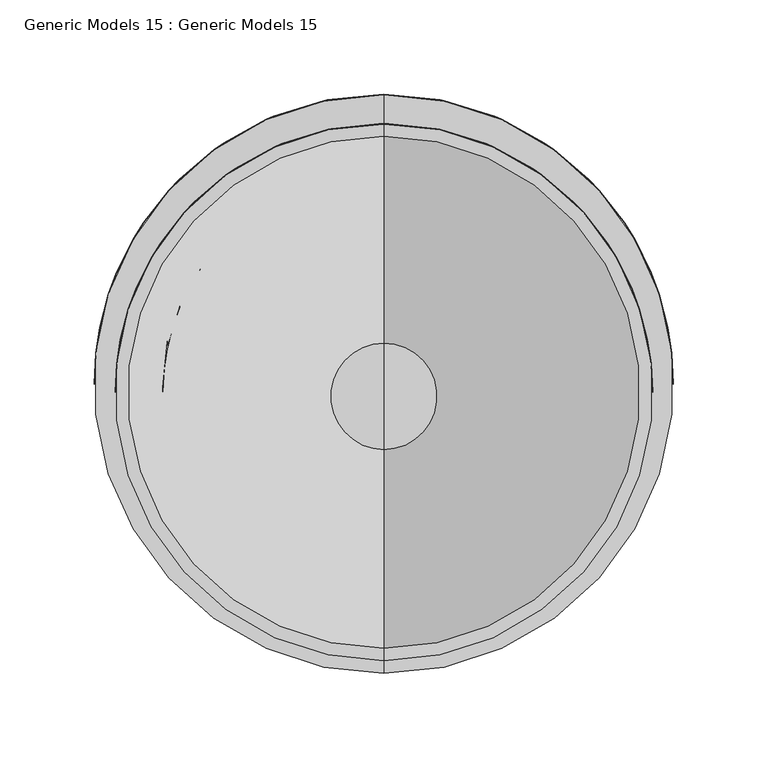
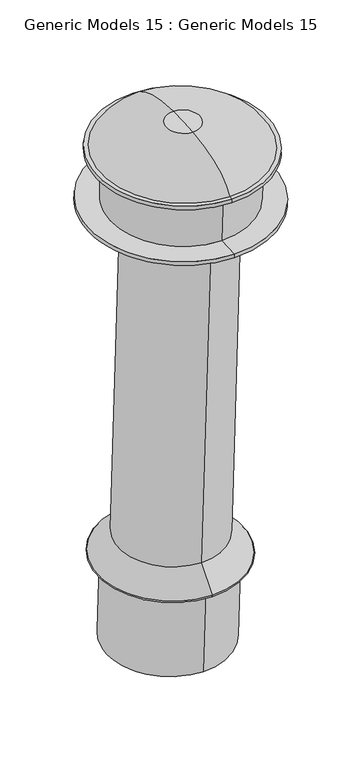
"""IFC4 building model written with IfcOpenShell, lengths in millimetres: proxy geometry, Generic Models 15 : Generic Models 15."""

from ifc_helpers import new_model, si_unit, point, frame, origin, place, context, project, spatial, polyline, circle_curve, ellipse_curve, trimmed, source, transform, mapped, element, save
from ifc_brep_helpers import plane_surface, cylinder_surface, revolved_surface, spline_curve, advanced_brep


def generic_models_15_generic_models_15_30916eaf(model_context):
    return source(origin(), model_context, "Body", "AdvancedBrep", [
        advanced_brep(
        [(-23590.480482, 1258.3723087, -1946.0657458), (-23590.480482, 1432.6049755, -1937.7979012), (-23590.480482, 1460.8485083, -2532.9888201), (-23590.480482, 1286.6158415, -2541.2566648), (-23590.480482, 1192.1149438, -1949.2098497), (-23590.480482, 1498.8623404, -1934.6537973), (-23590.480482, 1191.8142949, -1942.8741163), (-23590.480482, 1498.5616915, -1928.318064), (-23590.480482, 1228.153114, -1941.1497341), (-23590.480482, 1462.2228724, -1930.0424462), (-23590.480482, 1224.0872206, -1855.4670096), (-23590.480482, 1458.156979, -1844.3597217), (-23590.480482, 1198.8359349, -1856.6652562), (-23590.480482, 1483.4082647, -1843.161475), (-23590.480482, 1198.535286, -1850.3295229), (-23590.480482, 1483.1076158, -1836.8257417), (-23590.480482, 1205.0694437, -1850.0194582), (-23590.480482, 1476.5734581, -1837.1358064), (-23590.480482, 1310.4601088, -1800.5546853), (-23590.480482, 1366.972413, -1797.8730128), (-23590.480482, 1338.7162609, -1799.213849), (-23590.480482, 1281.2472388, -2729.2093104), (-23590.480482, 1483.9907057, -2719.5885457), (-23590.480482, 1382.6189723, -2724.398928), (-23590.480482, 1274.2248791, -2581.223407), (-23590.480482, 1476.968346, -2571.6026423), (-23590.480482, 1256.1529254, -2582.0809735), (-23590.480482, 1495.0402997, -2570.7450758), (-23590.480482, 1254.9199854, -2579.6161871), (-23590.480482, 1496.0343026, -2568.1746145)],
        [
            (0, 1, circle_curve(frame((-23590.480482, 1345.4886421, -1941.9318235), z_axis=(0.0, 0.04739955940407546, -0.9988760092064978), x_axis=(0.0, 0.9988760092064978, 0.04739955940407546)), 87.2143616)),
            (1, 2),
            (2, 3, circle_curve(frame((-23590.480482, 1373.7321749, -2537.1227424), z_axis=(0.0, -0.04739955940407546, 0.9988760092064978), x_axis=(0.0, 0.9988760092064978, 0.04739955940407546)), 87.2143616)),
            (3, 0),
            (1, 0, circle_curve(frame((-23590.480482, 1345.4886421, -1941.9318235), z_axis=(0.0, 0.04739955940407546, -0.9988760092064978), x_axis=(0.0, 0.9988760092064978, 0.04739955940407546)), 87.2143616)),
            (3, 2, circle_curve(frame((-23590.480482, 1373.7321749, -2537.1227424), z_axis=(0.0, -0.04739955940407546, 0.9988760092064978), x_axis=(0.0, 0.9988760092064978, 0.04739955940407546)), 87.2143616)),
            (4, 5, circle_curve(frame((-23590.480482, 1345.4886421, -1941.9318235), z_axis=(0.0, 0.04739955940407546, -0.9988760092064978), x_axis=(0.0, 0.9988760092064978, 0.04739955940407546)), 153.5462829)),
            (5, 1),
            (0, 4),
            (5, 4, circle_curve(frame((-23590.480482, 1345.4886421, -1941.9318235), z_axis=(0.0, 0.04739955940407546, -0.9988760092064978), x_axis=(0.0, 0.9988760092064978, 0.04739955940407546)), 153.5462829)),
            (6, 7, circle_curve(frame((-23590.480482, 1345.1879932, -1935.5960902), z_axis=(0.0, 0.04739955940407546, -0.9988760092064978), x_axis=(0.0, 0.9988760092064978, 0.04739955940407546)), 153.5462829)),
            (7, 5),
            (4, 6),
            (7, 6, circle_curve(frame((-23590.480482, 1345.1879932, -1935.5960902), z_axis=(0.0, 0.04739955940407546, -0.9988760092064978), x_axis=(0.0, 0.9988760092064978, 0.04739955940407546)), 153.5462829)),
            (8, 9, circle_curve(frame((-23590.480482, 1345.1879932, -1935.5960902), z_axis=(0.0, 0.04739955940407546, -0.9988760092064978), x_axis=(0.0, 0.9988760092064978, 0.04739955940407546)), 117.1665734)),
            (9, 7),
            (6, 8),
            (9, 8, circle_curve(frame((-23590.480482, 1345.1879932, -1935.5960902), z_axis=(0.0, 0.04739955940407546, -0.9988760092064978), x_axis=(0.0, 0.9988760092064978, 0.04739955940407546)), 117.1665734)),
            (10, 11, circle_curve(frame((-23590.480482, 1341.1220998, -1849.9133656), z_axis=(0.0, 0.04739955940407546, -0.9988760092064978), x_axis=(0.0, 0.9988760092064978, 0.04739955940407546)), 117.1665734)),
            (11, 9),
            (8, 10),
            (11, 10, circle_curve(frame((-23590.480482, 1341.1220998, -1849.9133656), z_axis=(0.0, 0.04739955940407546, -0.9988760092064978), x_axis=(0.0, 0.9988760092064978, 0.04739955940407546)), 117.1665734)),
            (12, 13, circle_curve(frame((-23590.480482, 1341.1220998, -1849.9133656), z_axis=(0.0, 0.04739955940407546, -0.9988760092064978), x_axis=(0.0, 0.9988760092064978, 0.04739955940407546)), 142.4462732)),
            (13, 11),
            (10, 12),
            (13, 12, circle_curve(frame((-23590.480482, 1341.1220998, -1849.9133656), z_axis=(0.0, 0.04739955940407546, -0.9988760092064978), x_axis=(0.0, 0.9988760092064978, 0.04739955940407546)), 142.4462732)),
            (14, 15, circle_curve(frame((-23590.480482, 1340.8214509, -1843.5776323), z_axis=(0.0, 0.04739955940407546, -0.9988760092064978), x_axis=(0.0, 0.9988760092064978, 0.04739955940407546)), 142.4462732)),
            (15, 13),
            (12, 14),
            (15, 14, circle_curve(frame((-23590.480482, 1340.8214509, -1843.5776323), z_axis=(0.0, 0.04739955940407546, -0.9988760092064978), x_axis=(0.0, 0.9988760092064978, 0.04739955940407546)), 142.4462732)),
            (16, 17, circle_curve(frame((-23590.480482, 1340.8214509, -1843.5776323), z_axis=(0.0, 0.04739955940407546, -0.9988760092064978), x_axis=(0.0, 0.9988760092064978, 0.04739955940407546)), 135.9047629)),
            (17, 15),
            (14, 16),
            (17, 16, circle_curve(frame((-23590.480482, 1340.8214509, -1843.5776323), z_axis=(0.0, 0.04739955940407546, -0.9988760092064978), x_axis=(0.0, 0.9988760092064978, 0.04739955940407546)), 135.9047629)),
            (18, 19, circle_curve(frame((-23590.480482, 1338.7162609, -1799.213849), z_axis=(0.0, 0.04739955940407546, -0.9988760092064978), x_axis=(0.0, 0.9988760092064978, 0.04739955940407546)), 28.2879475)),
            (19, 17, spline_curve(3, [(-23590.480482, 1366.972413, -1797.8730128), (-23590.480482, 1427.41792959, -1800.309967248), (-23590.480482, 1463.951611306, -1813.397565091), (-23590.480482, 1476.5734581, -1837.1358064)], [4, 4], [0.0, 0.21500945522902914])),
            (16, 18, spline_curve(3, [(-23590.480482, 1205.0694437, -1850.0194582), (-23590.480482, 1215.386740058, -1825.192688113), (-23590.480482, 1250.516961766, -1808.704430481), (-23590.480482, 1310.4601088, -1800.5546853)], [4, 4], [0.0, 0.21500945522902914])),
            (19, 18, circle_curve(frame((-23590.480482, 1338.7162609, -1799.213849), z_axis=(0.0, 0.04739955940407546, -0.9988760092064978), x_axis=(0.0, 0.9988760092064978, 0.04739955940407546)), 28.2879475)),
            (20, 19),
            (18, 20),
            (21, 22, circle_curve(frame((-23590.480482, 1382.6189723, -2724.398928), z_axis=(0.0, 0.04739955940407546, -0.9988760092064978), x_axis=(0.0, 0.9988760092064978, 0.04739955940407546)), 101.4858025)),
            (22, 23),
            (23, 21),
            (22, 21, circle_curve(frame((-23590.480482, 1382.6189723, -2724.398928), z_axis=(0.0, 0.04739955940407546, -0.9988760092064978), x_axis=(0.0, 0.9988760092064978, 0.04739955940407546)), 101.4858025)),
            (24, 25, circle_curve(frame((-23590.480482, 1375.5966126, -2576.4130246), z_axis=(0.0, 0.04739955940407546, -0.9988760092064978), x_axis=(0.0, 0.9988760092064978, 0.04739955940407546)), 101.4858025)),
            (25, 22),
            (21, 24),
            (25, 24, circle_curve(frame((-23590.480482, 1375.5966126, -2576.4130246), z_axis=(0.0, 0.04739955940407546, -0.9988760092064978), x_axis=(0.0, 0.9988760092064978, 0.04739955940407546)), 101.4858025)),
            (26, 27, circle_curve(frame((-23590.480482, 1375.5966126, -2576.4130246), z_axis=(0.0, 0.04739955940407546, -0.9988760092064978), x_axis=(0.0, 0.9988760092064978, 0.04739955940407546)), 119.5780918)),
            (27, 25),
            (24, 26),
            (27, 26, circle_curve(frame((-23590.480482, 1375.5966126, -2576.4130246), z_axis=(0.0, 0.04739955940407546, -0.9988760092064978), x_axis=(0.0, 0.9988760092064978, 0.04739955940407546)), 119.5780918)),
            (28, 29, circle_curve(frame((-23590.480482, 1375.477144, -2573.8954008), z_axis=(0.0, 0.04739955940407546, -0.9988760092064978), x_axis=(0.0, 0.9988760092064978, 0.04739955940407546)), 120.6928162)),
            (29, 27, circle_curve(frame((-23590.480482, 1494.9688812, -2569.2400359), z_axis=(-1.0, 0.0, 0.0), x_axis=(0.0, 1.0, 0.0)), 1.5067334)),
            (26, 28, circle_curve(frame((-23590.480482, 1256.0815069, -2580.5759336), z_axis=(-1.0, 0.0, 0.0), x_axis=(0.0, -0.9955065635365989, -0.09469256547137844)), 1.5067334)),
            (29, 28, circle_curve(frame((-23590.480482, 1375.477144, -2573.8954008), z_axis=(0.0, 0.04739955940407546, -0.9988760092064978), x_axis=(0.0, 0.9988760092064978, 0.04739955940407546)), 120.6928162)),
            (2, 29),
            (28, 3),
        ],
        [
            cylinder_surface(frame((-23590.480482, 1382.6189723, -2724.398928), z_axis=(0.0, -0.04739955940407546, 0.9988760092064978), x_axis=(0.0, 0.9988760092064978, 0.04739955940407546)), 87.2143616),
            plane_surface(frame((-23590.480482, 1345.4886421, -1941.9318235), z_axis=(0.0, 0.04739955940407546, -0.9988760092064978), x_axis=(0.0, 0.9988760092064978, 0.04739955940407546))),
            cylinder_surface(frame((-23590.480482, 1382.6189723, -2724.398928), z_axis=(0.0, -0.04739955940407546, 0.9988760092064978), x_axis=(0.0, 0.9988760092064978, 0.04739955940407546)), 153.5462829),
            plane_surface(frame((-23590.480482, 1345.1879932, -1935.5960902), z_axis=(0.0, -0.04739955940407546, 0.9988760092064978), x_axis=(0.0, 0.9988760092064978, 0.04739955940407546))),
            cylinder_surface(frame((-23590.480482, 1382.6189723, -2724.398928), z_axis=(0.0, -0.04739955940407546, 0.9988760092064978), x_axis=(0.0, 0.9988760092064978, 0.04739955940407546)), 117.1665734),
            plane_surface(frame((-23590.480482, 1341.1220998, -1849.9133656), z_axis=(0.0, 0.04739955940407546, -0.9988760092064978), x_axis=(0.0, 0.9988760092064978, 0.04739955940407546))),
            cylinder_surface(frame((-23590.480482, 1382.6189723, -2724.398928), z_axis=(0.0, -0.04739955940407546, 0.9988760092064978), x_axis=(0.0, 0.9988760092064978, 0.04739955940407546)), 142.4462732),
            plane_surface(frame((-23590.480482, 1340.8214509, -1843.5776323), z_axis=(0.0, -0.04739955940407546, 0.9988760092064978), x_axis=(0.0, 0.9988760092064978, 0.04739955940407546))),
            revolved_surface(spline_curve(3, [(-23590.480482, 1476.5734581, -1837.1358064), (-23590.480482, 1463.951611306, -1813.397565091), (-23590.480482, 1427.41792959, -1800.309967248), (-23590.480482, 1366.972413, -1797.8730128)], [4, 4], [0.0, 0.21500945522902914]), (-23590.480482, 1382.6189723, -2724.398928), (0.0, -0.04739955940407546, 0.9988760092064978)),
            plane_surface(frame((-23590.480482, 1338.7162609, -1799.213849), z_axis=(0.0, -0.04739955940407546, 0.9988760092064978), x_axis=(0.0, 0.9988760092064978, 0.04739955940407546))),
            plane_surface(frame((-23590.480482, 1382.6189723, -2724.398928), z_axis=(0.0, 0.04739955940407546, -0.9988760092064978), x_axis=(0.0, 0.9988760092064978, 0.04739955940407546))),
            cylinder_surface(frame((-23590.480482, 1382.6189723, -2724.398928), z_axis=(0.0, -0.04739955940407546, 0.9988760092064978), x_axis=(0.0, 0.9988760092064978, 0.04739955940407546)), 101.4858025),
            plane_surface(frame((-23590.480482, 1375.5966126, -2576.4130246), z_axis=(0.0, 0.04739955940407546, -0.9988760092064978), x_axis=(0.0, 0.9988760092064978, 0.04739955940407546))),
            revolved_surface(trimmed(ellipse_curve(frame((-23590.480482, 1494.9688812, -2569.2400359), z_axis=(1.0, 0.0, 0.0), x_axis=(0.0, 1.0, 0.0)), 1.5067334, 1.5067334), [point((-23590.480482, 1495.0402997, -2570.7450758))], [point((-23590.480482, 1496.0343026, -2568.1746145))], True, "CARTESIAN"), (-23590.480482, 1382.6189723, -2724.398928), (0.0, -0.04739955940407546, 0.9988760092064978)),
            revolved_surface(polyline([(-23590.480482, 1496.0343026, -2568.1746145), (-23590.480482, 1460.8485083, -2532.9888201)]), (-23590.480482, 1382.6189723, -2724.398928), (0.0, -0.04739955940407546, 0.9988760092064978)),
        ],
        [
            (0, [[1, 2, 3, 4]]),
            (0, [[5, -4, 6, -2]]),
            (1, [[7, 8, -1, 9]]),
            (1, [[10, -9, -5, -8]]),
            (2, [[11, 12, -7, 13]]),
            (2, [[14, -13, -10, -12]]),
            (3, [[15, 16, -11, 17]]),
            (3, [[18, -17, -14, -16]]),
            (4, [[19, 20, -15, 21]]),
            (4, [[22, -21, -18, -20]]),
            (5, [[23, 24, -19, 25]]),
            (5, [[26, -25, -22, -24]]),
            (6, [[27, 28, -23, 29]]),
            (6, [[30, -29, -26, -28]]),
            (7, [[31, 32, -27, 33]]),
            (7, [[34, -33, -30, -32]]),
            (8, [[35, 36, -31, 37]]),
            (8, [[38, -37, -34, -36]]),
            (9, [[39, -35, 40]]),
            (9, [[-40, -38, -39]]),
            (10, [[41, 42, 43]]),
            (10, [[44, -43, -42]]),
            (11, [[45, 46, -41, 47]]),
            (11, [[48, -47, -44, -46]]),
            (12, [[49, 50, -45, 51]]),
            (12, [[52, -51, -48, -50]]),
            (13, [[53, 54, -49, 55]]),
            (13, [[56, -55, -52, -54]]),
            (14, [[-3, 57, -53, 58]]),
            (14, [[-6, -58, -56, -57]]),
        ],
    ),
    ])


if __name__ == "__main__":
    model = new_model("IFC4")
    model_context = context("Model", 3, world=origin())
    ifc_project = project(units=[si_unit("LENGTHUNIT", "METRE", prefix="MILLI")], contexts=[model_context])
    site = spatial("IfcSite", under=ifc_project)
    building = spatial("IfcBuilding", under=site)
    placement = place(None, origin())
    generic_models_15_generic_models_15_shape = generic_models_15_generic_models_15_30916eaf(model_context)
    element("IfcBuildingElementProxy", 1, Name="Generic Models 15 : Generic Models 15", ObjectType="Generic Models 15 : Generic Models 15", at=placement, inside=building, context=model_context, shape_type="MappedRepresentation", body=[
        mapped(generic_models_15_generic_models_15_shape, transform((0.0, 0.0, 0.0), x_axis=(1.0, 0.0, 0.0), y_axis=(0.0, 1.0, 0.0), z_axis=(0.0, 0.0, 1.0))),
    ])
    save(model, "model.ifc")
